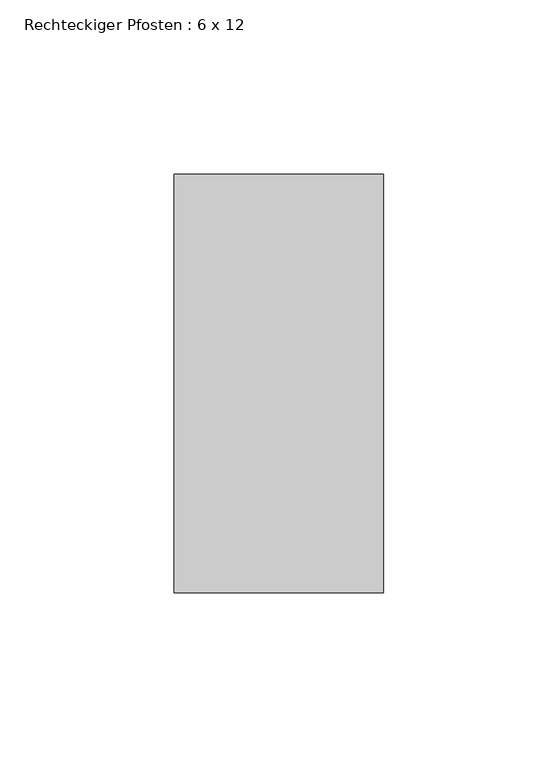
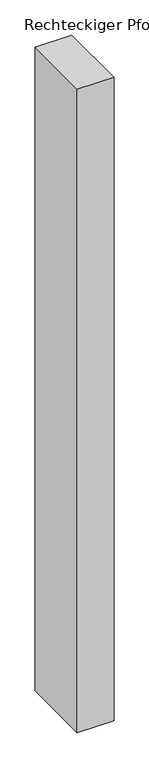
"""IFC4 building model written with IfcOpenShell, lengths in millimetres: member geometry, Rechteckiger Pfosten : 6 x 12."""

from ifc_helpers import new_model, si_unit, frame, origin, place, context, project, spatial, polyline, outline, extrude, source, transform, mapped, element, save


def rechteckiger_pfosten_6_x_12_e7674281(model_context):
    return source(origin(), model_context, "Body", "SweptSolid", [
        extrude(outline(polyline([(30.0, 60.0), (30.0, -60.0), (-30.0, -60.0), (-30.0, 60.0), (30.0, 60.0)])), frame((0.0, 0.0, -1114.9705474), z_axis=(0.0, 0.0, 1.0), x_axis=(1.0, 0.0, 0.0)), (0.0, 0.0, 1.0), 1114.9705474),
    ])


if __name__ == "__main__":
    model = new_model("IFC4")
    model_context = context("Model", 3, world=origin())
    ifc_project = project(units=[si_unit("LENGTHUNIT", "METRE", prefix="MILLI")], contexts=[model_context])
    site = spatial("IfcSite", under=ifc_project)
    building = spatial("IfcBuilding", under=site)
    placement = place(None, origin())
    rechteckiger_pfosten_6_x_12_shape = rechteckiger_pfosten_6_x_12_e7674281(model_context)
    element("IfcMember", 1, ObjectType="Rechteckiger Pfosten : 6 x 12", at=placement, inside=building, context=model_context, shape_type="MappedRepresentation", body=[
        mapped(rechteckiger_pfosten_6_x_12_shape, transform((0.0, 0.0, 0.0), x_axis=(1.0, 0.0, 0.0), y_axis=(0.0, 1.0, 0.0), z_axis=(0.0, 0.0, 1.0))),
    ])
    save(model, "model.ifc")
